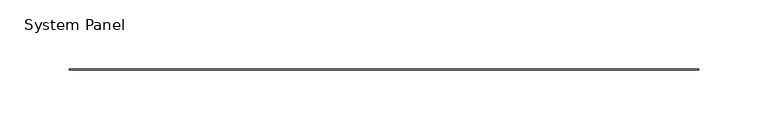
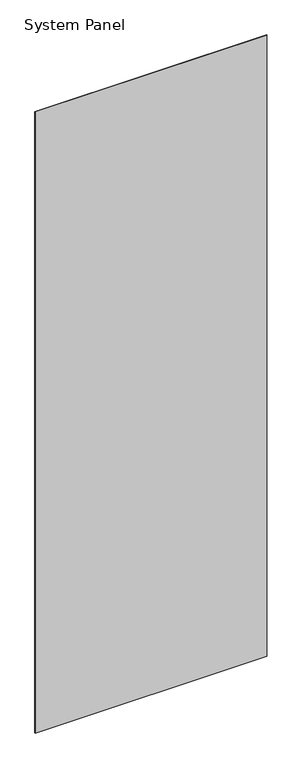
"""IFC4 building model written with IfcOpenShell, lengths in millimetres: plate geometry, System Panel."""

from ifc_helpers import new_model, si_unit, origin, origin_with_axes, place, context, project, spatial, polyline, outline, extrude, source, transform, mapped, element, save


def system_panel_18602c25(model_context):
    return source(origin(), model_context, "Body", "SweptSolid", [
        extrude(outline(polyline([(226.9490002, -0.396875), (-226.9490002, -0.396875), (-226.9490002, 0.396875), (226.9490002, 0.396875), (226.9490002, -0.396875)])), origin_with_axes(), (0.0, 0.0, 1.0), 1285.875),
    ])


if __name__ == "__main__":
    model = new_model("IFC4")
    model_context = context("Model", 3, world=origin())
    ifc_project = project(units=[si_unit("LENGTHUNIT", "METRE", prefix="MILLI")], contexts=[model_context])
    site = spatial("IfcSite", under=ifc_project)
    building = spatial("IfcBuilding", under=site)
    placement = place(None, origin())
    system_panel_shape = system_panel_18602c25(model_context)
    element("IfcPlate", 1, ObjectType="System Panel", at=placement, inside=building, context=model_context, shape_type="MappedRepresentation", body=[
        mapped(system_panel_shape, transform((0.0, 0.0, 0.0), x_axis=(1.0, 0.0, 0.0), y_axis=(0.0, 1.0, 0.0), z_axis=(0.0, 0.0, 1.0))),
    ])
    save(model, "model.ifc")
